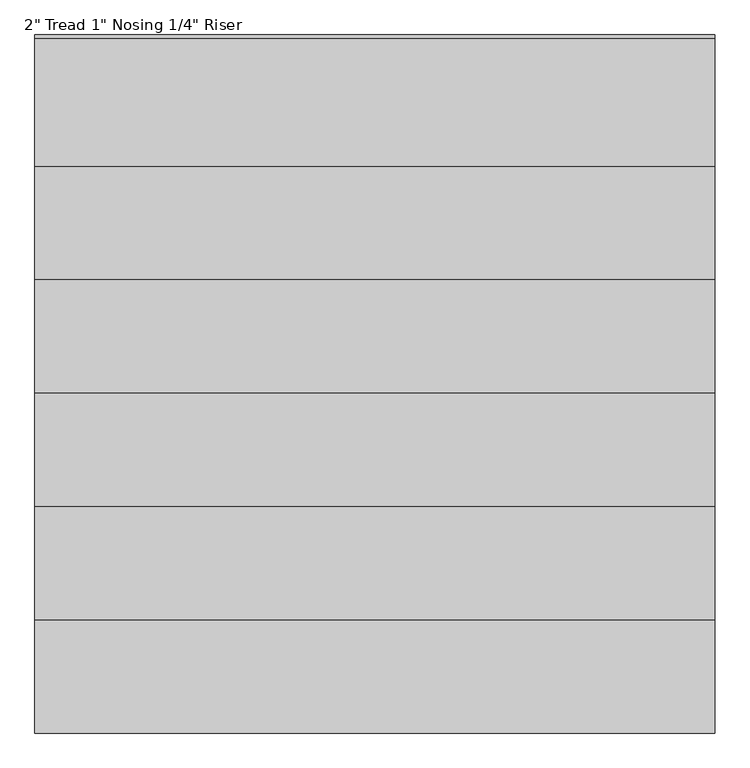
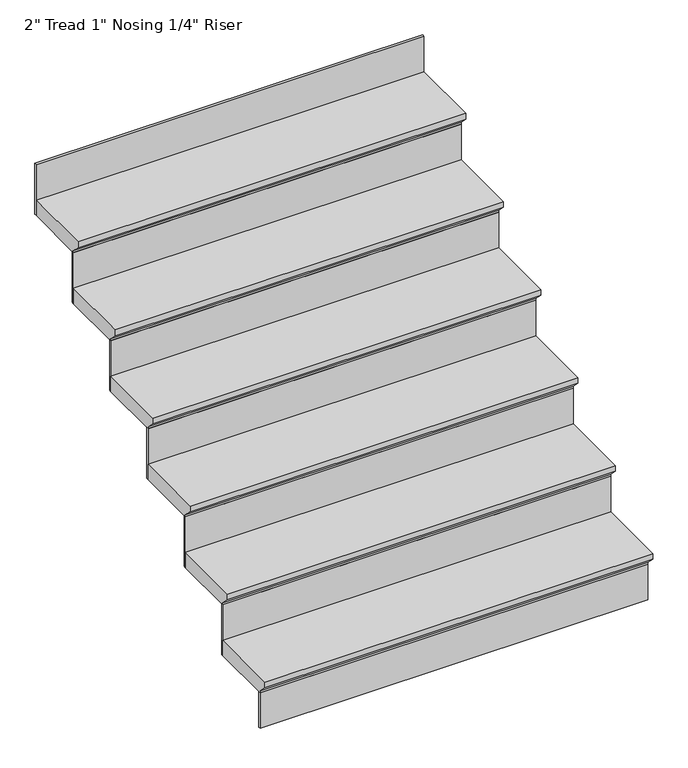
"""IFC4 building model written with IfcOpenShell, lengths in millimetres: stair flight geometry."""

from ifc_helpers import new_model, si_unit, frame, origin, origin_with_axes, place, context, project, spatial, polyline, outline, extrude, source, transform, mapped, element, save


def stair_flight_9b21e28f(model_context):
    return source(origin(), model_context, "Body", "SweptSolid", [
        extrude(outline(polyline([(2747.3919233, 169.3333333), (2975.9919233, 169.3333333), (2975.9919233, 118.5333333), (2772.7919233, 118.5333333), (2772.7919233, 124.8833333), (2747.3919233, 150.2833333), (2747.3919233, 169.3333333)])), frame((-1644.3262394, 0.0, 0.0), z_axis=(1.0, 0.0, 0.0), x_axis=(0.0, 1.0, 0.0)), (0.0, 0.0, 1.0), 1219.2),
        extrude(outline(polyline([(-425.1262394, 2779.1419233), (-425.1262394, 2772.7919233), (-1644.3262394, 2772.7919233), (-1644.3262394, 2779.1419233), (-425.1262394, 2779.1419233)])), origin_with_axes(), (0.0, 0.0, 1.0), 118.5333333),
        extrude(outline(polyline([(-425.1262394, 2982.3419233), (-425.1262394, 2975.9919233), (-1644.3262394, 2975.9919233), (-1644.3262394, 2982.3419233), (-425.1262394, 2982.3419233)])), frame((0.0, 0.0, 118.5333333), z_axis=(0.0, 0.0, 1.0), x_axis=(1.0, 0.0, 0.0)), (0.0, 0.0, 1.0), 169.3333333),
        extrude(outline(polyline([(2950.5919233, 338.6666667), (3179.1919233, 338.6666667), (3179.1919233, 287.8666667), (2975.9919233, 287.8666667), (2975.9919233, 294.2166667), (2950.5919233, 319.6166667), (2950.5919233, 338.6666667)])), frame((-1644.3262394, 0.0, 0.0), z_axis=(1.0, 0.0, 0.0), x_axis=(0.0, 1.0, 0.0)), (0.0, 0.0, 1.0), 1219.2),
        extrude(outline(polyline([(-425.1262394, 3185.5419233), (-425.1262394, 3179.1919233), (-1644.3262394, 3179.1919233), (-1644.3262394, 3185.5419233), (-425.1262394, 3185.5419233)])), frame((0.0, 0.0, 287.8666667), z_axis=(0.0, 0.0, 1.0), x_axis=(1.0, 0.0, 0.0)), (0.0, 0.0, 1.0), 169.3333333),
        extrude(outline(polyline([(3153.7919233, 508.0), (3382.3919233, 508.0), (3382.3919233, 457.2), (3179.1919233, 457.2), (3179.1919233, 463.55), (3153.7919233, 488.95), (3153.7919233, 508.0)])), frame((-1644.3262394, 0.0, 0.0), z_axis=(1.0, 0.0, 0.0), x_axis=(0.0, 1.0, 0.0)), (0.0, 0.0, 1.0), 1219.2),
        extrude(outline(polyline([(-425.1262394, 3388.7419233), (-425.1262394, 3382.3919233), (-1644.3262394, 3382.3919233), (-1644.3262394, 3388.7419233), (-425.1262394, 3388.7419233)])), frame((0.0, 0.0, 457.2), z_axis=(0.0, 0.0, 1.0), x_axis=(1.0, 0.0, 0.0)), (0.0, 0.0, 1.0), 169.3333333),
        extrude(outline(polyline([(3356.9919233, 677.3333333), (3585.5919233, 677.3333333), (3585.5919233, 626.5333333), (3382.3919233, 626.5333333), (3382.3919233, 632.8833333), (3356.9919233, 658.2833333), (3356.9919233, 677.3333333)])), frame((-1644.3262394, 0.0, 0.0), z_axis=(1.0, 0.0, 0.0), x_axis=(0.0, 1.0, 0.0)), (0.0, 0.0, 1.0), 1219.2),
        extrude(outline(polyline([(-425.1262394, 3591.9419233), (-425.1262394, 3585.5919233), (-1644.3262394, 3585.5919233), (-1644.3262394, 3591.9419233), (-425.1262394, 3591.9419233)])), frame((0.0, 0.0, 626.5333333), z_axis=(0.0, 0.0, 1.0), x_axis=(1.0, 0.0, 0.0)), (0.0, 0.0, 1.0), 169.3333333),
        extrude(outline(polyline([(3560.1919233, 846.6666667), (3788.7919233, 846.6666667), (3788.7919233, 795.8666667), (3585.5919233, 795.8666667), (3585.5919233, 802.2166667), (3560.1919233, 827.6166667), (3560.1919233, 846.6666667)])), frame((-1644.3262394, 0.0, 0.0), z_axis=(1.0, 0.0, 0.0), x_axis=(0.0, 1.0, 0.0)), (0.0, 0.0, 1.0), 1219.2),
        extrude(outline(polyline([(-425.1262394, 3795.1419233), (-425.1262394, 3788.7919233), (-1644.3262394, 3788.7919233), (-1644.3262394, 3795.1419233), (-425.1262394, 3795.1419233)])), frame((0.0, 0.0, 795.8666667), z_axis=(0.0, 0.0, 1.0), x_axis=(1.0, 0.0, 0.0)), (0.0, 0.0, 1.0), 169.3333333),
        extrude(outline(polyline([(-425.1262394, 3998.3419233), (-425.1262394, 3991.9919233), (-1644.3262394, 3991.9919233), (-1644.3262394, 3998.3419233), (-425.1262394, 3998.3419233)])), frame((0.0, 0.0, 965.2), z_axis=(0.0, 0.0, 1.0), x_axis=(1.0, 0.0, 0.0)), (0.0, 0.0, 1.0), 169.3333333),
        extrude(outline(polyline([(3763.3919233, 1016.0), (3991.9919233, 1016.0), (3991.9919233, 965.2), (3788.7919233, 965.2), (3788.7919233, 971.55), (3763.3919233, 996.95), (3763.3919233, 1016.0)])), frame((-1644.3262394, 0.0, 0.0), z_axis=(1.0, 0.0, 0.0), x_axis=(0.0, 1.0, 0.0)), (0.0, 0.0, 1.0), 1219.2),
    ])


if __name__ == "__main__":
    model = new_model("IFC4")
    model_context = context("Model", 3, world=origin())
    ifc_project = project(units=[si_unit("LENGTHUNIT", "METRE", prefix="MILLI")], contexts=[model_context])
    site = spatial("IfcSite", under=ifc_project)
    building = spatial("IfcBuilding", under=site)
    placement = place(None, origin())
    stair_flight_shape = stair_flight_9b21e28f(model_context)
    element("IfcStairFlight", 1, ObjectType="2\" Tread 1\" Nosing 1/4\" Riser", at=placement, inside=building, context=model_context, shape_type="MappedRepresentation", body=[
        mapped(stair_flight_shape, transform((0.0, 0.0, 0.0), x_axis=(1.0, 0.0, 0.0), y_axis=(0.0, 1.0, 0.0), z_axis=(0.0, 0.0, 1.0))),
    ])
    save(model, "model.ifc")
